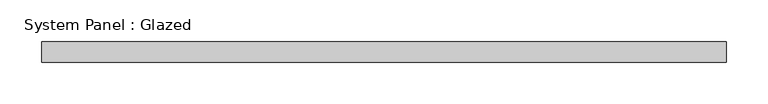
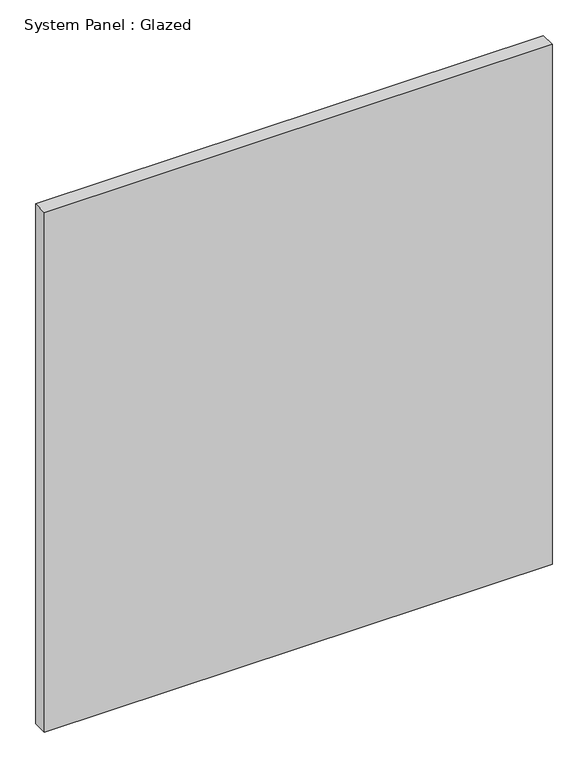
"""IFC4 building model written with IfcOpenShell, lengths in millimetres: plate geometry, System Panel : Glazed."""

from ifc_helpers import new_model, si_unit, origin, origin_with_axes, place, context, project, spatial, polyline, outline, extrude, source, transform, mapped, element, save


def system_panel_glazed_02691b0a(model_context):
    return source(origin(), model_context, "Body", "SweptSolid", [
        extrude(outline(polyline([(412.5, -49.5), (-412.5, -49.5), (-412.5, -24.5), (412.5, -24.5), (412.5, -49.5)])), origin_with_axes(), (0.0, 0.0, 1.0), 892.6666667),
    ])


if __name__ == "__main__":
    model = new_model("IFC4")
    model_context = context("Model", 3, world=origin())
    ifc_project = project(units=[si_unit("LENGTHUNIT", "METRE", prefix="MILLI")], contexts=[model_context])
    site = spatial("IfcSite", under=ifc_project)
    building = spatial("IfcBuilding", under=site)
    placement = place(None, origin())
    system_panel_glazed_shape = system_panel_glazed_02691b0a(model_context)
    element("IfcPlate", 1, ObjectType="System Panel : Glazed", at=placement, inside=building, context=model_context, shape_type="MappedRepresentation", body=[
        mapped(system_panel_glazed_shape, transform((0.0, 0.0, 0.0), x_axis=(1.0, 0.0, 0.0), y_axis=(0.0, 1.0, 0.0), z_axis=(0.0, 0.0, 1.0))),
    ])
    save(model, "model.ifc")
